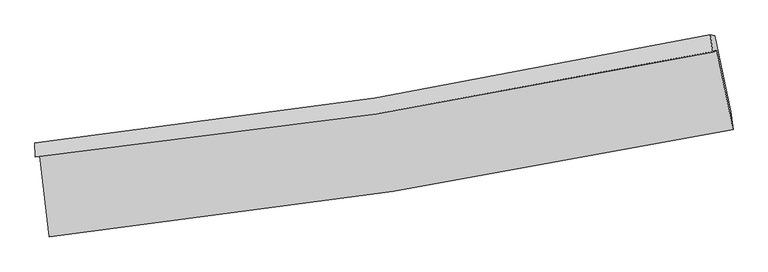
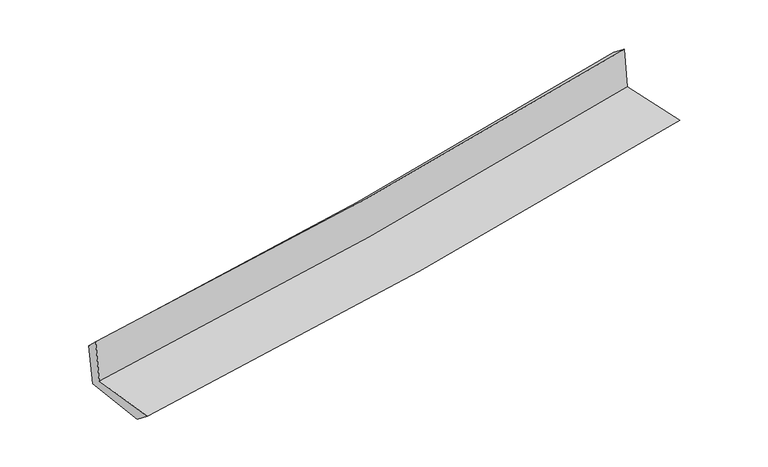
"""IFC4 building model written with IfcOpenShell, lengths in millimetres: proxy geometry."""

from ifc_helpers import new_model, si_unit, frame, origin, place, context, project, spatial, source, transform, mapped, element, save
from ifc_brep_helpers import plane_surface, spline_curve, spline_surface, advanced_brep


def generic_models_0190734c(model_context):
    return source(origin(), model_context, "Body", "AdvancedBrep", [
        advanced_brep(
        [(-2831.4565945, -1904.8708849, 1617.865354), (-2754.618931, -2573.8501632, 1637.6817548), (2904.7252915, -1684.9815856, 2140.8017625), (2771.0456557, -1033.2069003, 2131.6388385), (-2868.2804201, -1910.7438503, 2035.6843353), (2736.9917619, -1045.7939441, 2534.2517517), (-2871.7324515, -1798.0170566, 1926.58676), (2717.0201854, -900.3055898, 2423.8052893), (-2835.2576419, -1805.568569, 1530.2259609), (2754.6142385, -907.6760706, 2027.5492101), (-2761.7631875, -2421.7945685, 1518.2305492), (2884.761521, -1534.9962217, 2020.0745412)],
        [
            (0, 1),
            (1, 2, spline_curve(3, [(-2754.618931, -2573.8501632, 1637.6817548), (-1802.923006759, -2472.759005542, 1726.227675412), (-854.548557964, -2347.950175986, 1812.504753777), (1031.873672993, -2051.476112732, 1980.193769963), (1969.947298529, -1879.995416471, 2061.62336115), (2904.7252915, -1684.9815856, 2140.8017625)], [4, 2, 4], [0.0, 9.408811350787692, 18.78094816760324])),
            (2, 3),
            (3, 0, spline_curve(3, [(2771.0456557, -1033.2069003, 2131.6388385), (1846.720938009, -1232.210329225, 2055.960978362), (918.602505723, -1404.261597681, 1975.400750004), (-948.868495844, -1695.027607424, 1804.181207293), (-1888.250813424, -1813.531000508, 1713.483607444), (-2831.4565945, -1904.8708849, 1617.865354)], [4, 2, 4], [0.0, 9.372136816815546, 18.78094816760324])),
            (4, 0),
            (3, 5),
            (5, 4, spline_curve(3, [(2736.9917619, -1045.7939441, 2534.2517517), (1812.177591673, -1241.299839113, 2456.021323546), (883.584028156, -1411.041602013, 2375.444547408), (-984.810395892, -1699.56026959, 2209.273807549), (-1924.640893179, -1818.13514191, 2123.661445167), (-2868.2804201, -1910.7438503, 2035.6843353)], [4, 2, 4], [0.0, 9.325630934255107, 18.687754418202445])),
            (6, 4),
            (5, 7),
            (7, 6, spline_curve(3, [(2717.0201854, -900.3055898, 2423.8052893), (1795.296795558, -1099.466228762, 2345.510381352), (869.622897795, -1273.758409919, 2265.013270647), (-993.263669653, -1573.190574037, 2099.291029516), (-1930.507317514, -1698.135548427, 2014.048630479), (-2871.7324515, -1798.0170566, 1926.58676)], [4, 2, 4], [0.0, 9.316262655709387, 18.66898120167501])),
            (8, 6),
            (7, 9),
            (9, 8, spline_curve(3, [(2754.6142385, -907.6760706, 2027.5492101), (1832.696726925, -1106.876412378, 1949.234870342), (906.832672336, -1281.2035109, 1868.719332221), (-956.427006989, -1580.696056365, 1702.962176563), (-1893.853579295, -1705.666457458, 1617.703298413), (-2835.2576419, -1805.568569, 1530.2259609)], [4, 2, 4], [0.0, 9.307857797258256, 18.65213859533965])),
            (10, 8),
            (9, 11),
            (11, 10, spline_curve(3, [(2884.761521, -1534.9962217, 2020.0745412), (1951.68685542, -1726.269126931, 1941.046372052), (1015.530681173, -1895.703861702, 1859.797963401), (-866.620057781, -2191.474557113, 1692.534043045), (-1812.638786418, -2317.639271158, 1606.501120932), (-2761.7631875, -2421.7945685, 1518.2305492)], [4, 2, 4], [0.0, 9.35281865312892, 18.742236245446826])),
            (1, 10),
            (11, 2),
        ],
        [
            spline_surface(3, 3, [[(-2831.4565945, -1904.8708849, 1617.865354), (-1888.250813437, -1813.531000549, 1713.483607554), (-948.868495692, -1695.027607398, 1804.181207363), (918.602505571, -1404.261597707, 1975.400749934), (1846.720937891, -1232.210329328, 2055.960978293), (2771.0456557, -1033.2069003, 2131.6388385)], [(-2805.84403999, -2127.863977695, 1624.470820935), (-1859.808211166, -2033.273668954, 1717.73163021), (-917.428516467, -1912.6684636, 1806.955722835), (956.359561408, -1619.999769344, 1976.998423312), (1887.796391465, -1448.138691723, 2057.848439208), (2815.605534285, -1250.465128757, 2134.693146495)], [(-2780.23148551, -2350.857070405, 1631.076287865), (-1831.365608926, -2253.016337275, 1721.97965286), (-885.98853726, -2130.30931985, 1809.730238253), (994.116617226, -1835.73794103, 1978.596096636), (1928.871845083, -1664.067054047, 2059.735900139), (2860.165412915, -1467.723357143, 2137.747454505)], [(-2754.618931, -2573.8501632, 1637.6817548), (-1802.923006656, -2472.75900568, 1726.227675516), (-854.548558035, -2347.950176051, 1812.504753725), (1031.873673063, -2051.476112667, 1980.193770014), (1969.947298657, -1879.995416442, 2061.623361054), (2904.7252915, -1684.9815856, 2140.8017625)]], [4, 4], [4, 2, 4], [0.0, 2.1599107162859097], [0.0, 9.408811350787692, 18.78094816760324]),
            spline_surface(3, 3, [[(-2868.2804201, -1910.7438503, 2035.6843353), (-1924.640893151, -1818.135141927, 2123.661445186), (-984.81039596, -1699.560269547, 2209.273807648), (883.584028224, -1411.041602056, 2375.444547309), (1812.177591659, -1241.299839005, 2456.021323658), (2736.9917619, -1045.7939441, 2534.2517517)], [(-2856.005811559, -1908.786195156, 1896.411341529), (-1912.510866572, -1816.600428124, 1986.935499305), (-972.82976254, -1698.049382189, 2074.242940875), (895.256854003, -1408.781600631, 2242.096614839), (1823.692040391, -1238.270002418, 2322.667875203), (2748.343059821, -1041.598262805, 2400.0474473)], [(-2843.731203041, -1906.828540044, 1757.138347771), (-1900.380840016, -1815.065714352, 1850.209553436), (-960.849129112, -1696.538494757, 1939.212074136), (906.929679792, -1406.521599132, 2108.748682404), (1835.206489159, -1235.240165915, 2189.314426748), (2759.694357779, -1037.402581595, 2265.8431429)], [(-2831.4565945, -1904.8708849, 1617.865354), (-1888.250813437, -1813.531000549, 1713.483607554), (-948.868495692, -1695.027607398, 1804.181207363), (918.602505571, -1404.261597707, 1975.400749934), (1846.720937891, -1232.210329328, 2055.960978293), (2771.0456557, -1033.2069003, 2131.6388385)]], [4, 4], [4, 2, 4], [0.0, 1.326044024927882], [0.0, 9.362123483947338, 18.687754418202445]),
            spline_surface(3, 3, [[(-2871.7324515, -1798.0170566, 1926.58676), (-1930.507317368, -1698.13554844, 2014.048630515), (-993.263669582, -1573.190574074, 2099.2910296), (869.622897724, -1273.758409882, 2265.013270564), (1795.29679559, -1099.466228666, 2345.510381252), (2717.0201854, -900.3055898, 2423.8052893)], [(-2870.581774376, -1835.592654505, 1962.952618453), (-1928.551842639, -1738.135412941, 2050.586235425), (-990.445911686, -1615.313805877, 2135.951955614), (874.276607912, -1319.519473918, 2301.823696144), (1800.923727634, -1146.744098808, 2382.347362072), (2723.677377588, -948.801707929, 2460.620776785)], [(-2869.431097224, -1873.168252395, 1999.318476847), (-1926.596367881, -1778.135277427, 2087.123840276), (-987.628153856, -1657.437037745, 2172.612881633), (878.930318036, -1365.28053802, 2338.634121729), (1806.550659615, -1194.021968863, 2419.184342838), (2730.334569712, -997.297825971, 2497.436264215)], [(-2868.2804201, -1910.7438503, 2035.6843353), (-1924.640893151, -1818.135141927, 2123.661445186), (-984.81039596, -1699.560269547, 2209.273807648), (883.584028224, -1411.041602056, 2375.444547309), (1812.177591659, -1241.299839005, 2456.021323658), (2736.9917619, -1045.7939441, 2534.2517517)]], [4, 4], [4, 2, 4], [0.0, 0.5648701820125182], [0.0, 9.352718545965622, 18.66898120167501]),
            spline_surface(3, 3, [[(-2835.2576419, -1805.568569, 1530.2259609), (-1893.853579323, -1705.666457337, 1617.703298393), (-956.427007106, -1580.696056414, 1702.962176653), (906.832672453, -1281.203510851, 1868.719332131), (1832.696727065, -1106.876412279, 1949.234870267), (2754.6142385, -907.6760706, 2027.5492101)], [(-2847.41591177, -1803.051398204, 1662.34622725), (-1906.071492008, -1703.156154375, 1749.818409083), (-968.705894604, -1578.194228976, 1835.071794289), (894.429414204, -1278.721810537, 2000.817311596), (1820.230083241, -1104.406351056, 2081.32670724), (2742.082887467, -905.219243647, 2159.634569811)], [(-2859.57418163, -1800.534227396, 1794.46649365), (-1918.289404683, -1700.645851402, 1881.933519825), (-980.984782084, -1575.692401512, 1967.181411964), (882.026155972, -1276.240110196, 2132.915291099), (1807.763439415, -1101.936289889, 2213.418544279), (2729.551536433, -902.762416753, 2291.719929589)], [(-2871.7324515, -1798.0170566, 1926.58676), (-1930.507317368, -1698.13554844, 2014.048630515), (-993.263669582, -1573.190574074, 2099.2910296), (869.622897724, -1273.758409882, 2265.013270564), (1795.29679559, -1099.466228666, 2345.510381252), (2717.0201854, -900.3055898, 2423.8052893)]], [4, 4], [4, 2, 4], [0.0, 1.3061259025833132], [0.0, 9.344280798081394, 18.65213859533965]),
            spline_surface(3, 3, [[(-2761.7631875, -2421.7945685, 1518.2305492), (-1812.63878636, -2317.639271165, 1606.501120844), (-866.620057745, -2191.474557022, 1692.534043005), (1015.530681138, -1895.703861793, 1859.79796344), (1951.686855321, -1726.269127045, 1941.046371937), (2884.761521, -1534.9962217, 2020.0745412)], [(-2786.261338952, -2216.385901981, 1522.229019786), (-1839.710383999, -2113.648333203, 1610.235180046), (-896.555707551, -1987.88172349, 1696.010087575), (979.298011558, -1690.870411483, 1862.771753025), (1912.023479219, -1519.804888805, 1943.775871398), (2841.379093484, -1325.889504682, 2022.566097517)], [(-2810.759490448, -2010.977235519, 1526.227490314), (-1866.781981684, -1909.657395299, 1613.969239191), (-926.491357301, -1784.288889946, 1699.486132083), (943.065342033, -1486.036961161, 1865.745542547), (1872.360103167, -1313.340650519, 1946.505370806), (2797.996666016, -1116.782787618, 2025.057653783)], [(-2835.2576419, -1805.568569, 1530.2259609), (-1893.853579323, -1705.666457337, 1617.703298393), (-956.427007106, -1580.696056414, 1702.962176653), (906.832672453, -1281.203510851, 1868.719332131), (1832.696727065, -1106.876412279, 1949.234870267), (2754.6142385, -907.6760706, 2027.5492101)]], [4, 4], [4, 2, 4], [0.0, 2.036383247033351], [0.0, 9.389417592317905, 18.742236245446826]),
            spline_surface(3, 3, [[(-2754.618931, -2573.8501632, 1637.6817548), (-1802.923006656, -2472.75900568, 1726.227675516), (-854.548558035, -2347.950176051, 1812.504753725), (1031.873673063, -2051.476112667, 1980.193770014), (1969.947298657, -1879.995416442, 2061.623361054), (2904.7252915, -1684.9815856, 2140.8017625)], [(-2757.000349853, -2523.16496496, 1597.864686247), (-1806.161599911, -2421.052427501, 1686.318823939), (-858.572391272, -2295.791636375, 1772.514516805), (1026.426009087, -1999.552029043, 1940.061834477), (1963.860484234, -1828.753319955, 2021.43103134), (2898.070701355, -1634.986464279, 2100.559355392)], [(-2759.381768647, -2472.47976674, 1558.047617753), (-1809.400193106, -2369.345849344, 1646.409972421), (-862.596224508, -2243.633096697, 1732.524279925), (1020.978345114, -1947.627945417, 1899.929898978), (1957.773669745, -1777.511223531, 1981.238701651), (2891.416111145, -1584.991343021, 2060.316948308)], [(-2761.7631875, -2421.7945685, 1518.2305492), (-1812.63878636, -2317.639271165, 1606.501120844), (-866.620057745, -2191.474557022, 1692.534043005), (1015.530681138, -1895.703861793, 1859.79796344), (1951.686855321, -1726.269127045, 1941.046371937), (2884.761521, -1534.9962217, 2020.0745412)]], [4, 4], [4, 2, 4], [0.0, 0.6480844831373439], [0.0, 9.444636980473833, 18.852459782526928]),
            plane_surface(frame((2794.8597757, -1184.4933853, 2213.0202322), z_axis=(0.975491246262195, 0.20132265765599988, 0.0888032430722818), x_axis=(-0.09443282669864195, 0.01851397453002499, 0.9953590678688801))),
            plane_surface(frame((-2820.5182044, -2069.1408487, 1711.0457857), z_axis=(-0.9892402813049943, -0.1162532113909446, -0.08881923600723399), x_axis=(-0.11405847328146833, 0.9930384611264027, -0.029415631837627184))),
        ],
        [
            (0, [[1, 2, 3, 4]]),
            (1, [[5, -4, 6, 7]]),
            (2, [[8, -7, 9, 10]]),
            (3, [[11, -10, 12, 13]]),
            (4, [[14, -13, 15, 16]]),
            (5, [[17, -16, 18, -2]]),
            (6, [[-12, -9, -6, -3, -18, -15]]),
            (7, [[-1, -5, -8, -11, -14, -17]]),
        ],
    ),
    ])


if __name__ == "__main__":
    model = new_model("IFC4")
    model_context = context("Model", 3, world=origin())
    ifc_project = project(units=[si_unit("LENGTHUNIT", "METRE", prefix="MILLI")], contexts=[model_context])
    site = spatial("IfcSite", under=ifc_project)
    building = spatial("IfcBuilding", under=site)
    placement = place(None, origin())
    generic_models_shape = generic_models_0190734c(model_context)
    element("IfcBuildingElementProxy", 1, Name="Generic Models", at=placement, inside=building, context=model_context, shape_type="MappedRepresentation", body=[
        mapped(generic_models_shape, transform((0.0, 0.0, 0.0), x_axis=(1.0, 0.0, 0.0), y_axis=(0.0, 1.0, 0.0), z_axis=(0.0, 0.0, 1.0))),
    ])
    save(model, "model.ifc")
